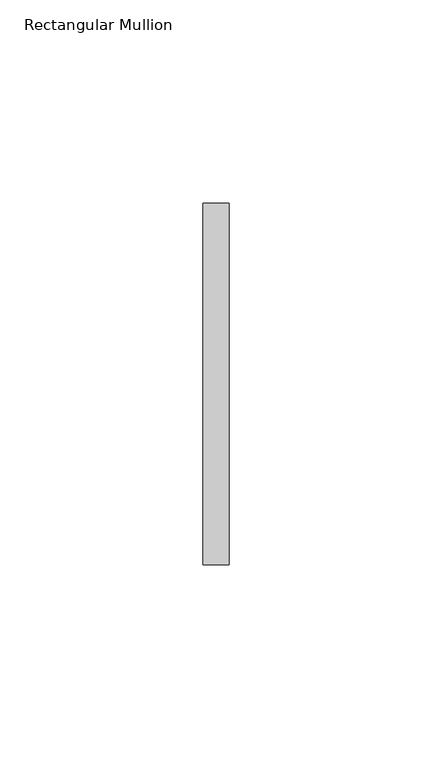
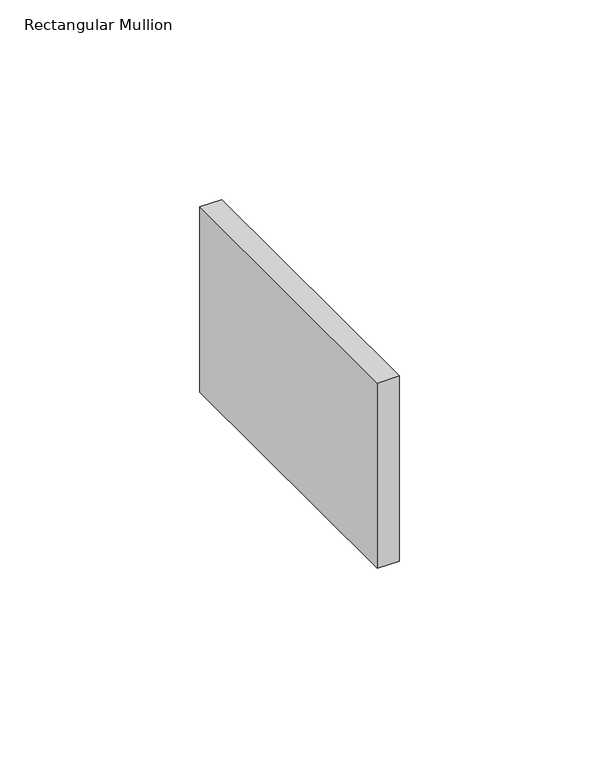
"""IFC4 building model written with IfcOpenShell, lengths in millimetres: member geometry, Rectangular Mullion."""

import ifcopenshell
import ifcopenshell.guid

model = None  # the IFC model being written
_history = None  # IfcOwnerHistory: only IFC2X3 demands one
_inside = {}  # id of a spatial element -> (the spatial element, [elements in it])
_under = {}  # id of a project, library or spatial element -> (it, [spatial elements below it])
_declared = {}  # id of a project -> (the project, [libraries it declares])
_typed = {}  # id of a type object -> (the type object, [elements of that type])
_made_of = {}  # id of a material, layer set ... -> (it, [elements and type objects made of it])


def new_model(schema):
    """Start an empty IFC model of exactly this schema.

    Asked for "IFC4X3", IfcOpenShell would pick the latest addendum, in which some entities
    have other attributes; the version numbers below select the first issue.
    IFC2X3 requires an IfcOwnerHistory on every rooted entity: one is made here for all.
    """
    global model, _history
    if schema == "IFC4X3":
        model = ifcopenshell.file(schema_version=(4, 3, 0, 0))
    else:
        model = ifcopenshell.file(schema=schema)
    _inside.clear()
    _under.clear()
    _declared.clear()
    _typed.clear()
    _made_of.clear()
    _history = None
    if model.schema == "IFC2X3":
        org = make("IfcOrganization", Name="unknown")
        user = make(
            "IfcPersonAndOrganization",
            ThePerson=make("IfcPerson", FamilyName="unknown"),
            TheOrganization=org,
        )
        app = make(
            "IfcApplication",
            ApplicationDeveloper=org,
            Version="unknown",
            ApplicationFullName="unknown",
            ApplicationIdentifier="unknown",
        )
        _history = make(
            "IfcOwnerHistory",
            OwningUser=user,
            OwningApplication=app,
            ChangeAction="ADDED",
            CreationDate=0,
        )
    return model


def make(cls, **values):
    """One entity of the class cls with the attributes given. An attribute that is None is left unset."""
    return model.create_entity(
        cls, **{name: value for name, value in values.items() if value is not None}
    )


def rooted(cls, **values):
    """An entity with a GlobalId (a new one), such as an element, a storey or a relation."""
    return make(cls, GlobalId=ifcopenshell.guid.new(), OwnerHistory=_history, **values)


def si_unit(unit_type, name, prefix=None):
    """IfcSIUnit, for example si_unit("LENGTHUNIT", "METRE", prefix="MILLI")."""
    return make("IfcSIUnit", UnitType=unit_type, Prefix=prefix, Name=name)


def assignment(units):
    """IfcUnitAssignment: the units of a project."""
    return None if units is None else make("IfcUnitAssignment", Units=units)


def point(xyz):
    """IfcCartesianPoint."""
    return None if xyz is None else make("IfcCartesianPoint", Coordinates=xyz)


def direction(xyz):
    """IfcDirection."""
    return None if xyz is None else make("IfcDirection", DirectionRatios=xyz)


def frame(location, z_axis=None, x_axis=None):
    """IfcAxis2Placement3D, a coordinate frame: its origin and axes. An axis left out is left unset."""
    return make(
        "IfcAxis2Placement3D",
        Location=point(location),
        Axis=direction(z_axis),
        RefDirection=direction(x_axis),
    )


def origin():
    """The frame at (0, 0, 0) with its axes left unset."""
    return frame((0.0, 0.0, 0.0))


def place(relative_to, where):
    """IfcLocalPlacement: puts the frame where relative to a parent placement (None: the world)."""
    return make(
        "IfcLocalPlacement", PlacementRelTo=relative_to, RelativePlacement=where
    )


def context(
    kind, dimensions, precision=None, world=None, true_north=None, identifier=None
):
    """IfcGeometricRepresentationContext, for example the 3D "Model" context."""
    return make(
        "IfcGeometricRepresentationContext",
        ContextIdentifier=identifier,
        ContextType=kind,
        CoordinateSpaceDimension=dimensions,
        Precision=precision,
        WorldCoordinateSystem=world,
        TrueNorth=true_north,
    )


def project(units=None, contexts=None):
    """IfcProject with its units and contexts."""
    return rooted(
        "IfcProject",
        Name="project",
        RepresentationContexts=contexts,
        UnitsInContext=assignment(units),
    )


def spatial(cls, under=None, at=None, **own):
    """A site, building, storey or space (cls), placed at a placement, below another one or the project."""
    s = rooted(cls, ObjectPlacement=at, **own)
    if under is not None:
        _under.setdefault(under.id(), (under, []))[1].append(s)
    return s


def polyline(points):
    """IfcPolyline through the points."""
    return make("IfcPolyline", Points=[point(p) for p in points])


def outline(outer, holes=None, kind="AREA"):
    """IfcArbitraryClosedProfileDef: a profile drawn as a closed curve; with holes, ...WithVoids."""
    if holes is None:
        return make("IfcArbitraryClosedProfileDef", ProfileType=kind, OuterCurve=outer)
    return make(
        "IfcArbitraryProfileDefWithVoids",
        ProfileType=kind,
        OuterCurve=outer,
        InnerCurves=holes,
    )


def extrude(swept, where, along, depth):
    """IfcExtrudedAreaSolid: the profile swept, set in the frame where, extruded along a direction by depth."""
    return make(
        "IfcExtrudedAreaSolid",
        SweptArea=swept,
        Position=where,
        ExtrudedDirection=direction(along),
        Depth=depth,
    )


def shape(context_of_items, identifier, shape_type, items):
    """IfcShapeRepresentation: the items that make up one representation, for example the "Body"."""
    return make(
        "IfcShapeRepresentation",
        ContextOfItems=context_of_items,
        RepresentationIdentifier=identifier,
        RepresentationType=shape_type,
        Items=items,
    )


def source(mapping_origin, context_of_items, identifier, shape_type, items):
    """IfcRepresentationMap: a shape defined once, which mapped items show again and again."""
    return make(
        "IfcRepresentationMap",
        MappingOrigin=mapping_origin,
        MappedRepresentation=shape(context_of_items, identifier, shape_type, items),
    )


def transform(
    local_origin,
    x_axis=None,
    y_axis=None,
    z_axis=None,
    scale=None,
    scale2=None,
    scale3=None,
    uniform=True,
):
    """IfcCartesianTransformationOperator3D, or its non-uniform kind. x_axis, y_axis, z_axis: its Axis1, 2, 3."""
    if uniform:
        return make(
            "IfcCartesianTransformationOperator3D",
            Axis1=direction(x_axis),
            Axis2=direction(y_axis),
            LocalOrigin=point(local_origin),
            Scale=scale,
            Axis3=direction(z_axis),
        )
    return make(
        "IfcCartesianTransformationOperator3DnonUniform",
        Axis1=direction(x_axis),
        Axis2=direction(y_axis),
        LocalOrigin=point(local_origin),
        Scale=scale,
        Axis3=direction(z_axis),
        Scale2=scale2,
        Scale3=scale3,
    )


def mapped(mapping_source, mapping_target):
    """IfcMappedItem: shows the shape of a source again, moved by a transform."""
    return make(
        "IfcMappedItem", MappingSource=mapping_source, MappingTarget=mapping_target
    )


def made_of(thing, what):
    """Note that an element or type object is made of a material, layer set ...; save() writes the relation."""
    if what is not None:
        _made_of.setdefault(what.id(), (what, []))[1].append(thing)
    return thing


def element(
    cls,
    number,
    at=None,
    inside=None,
    cuts=None,
    type_object=None,
    material=None,
    context=None,
    identifier="Body",
    shape_type=None,
    held_by="IfcProductDefinitionShape",
    body=None,
    shapes=None,
    **own,
):
    """One element of the class cls, such as IfcWall. Its Tag is "e" and its number.

    at: its placement. inside: the storey or other place that contains it. cuts: it is an
    opening in that element (IfcRelVoidsElement). A single representation is given by context,
    identifier, shape_type and body (its items); several are given by shapes. held_by: the class
    of the entity that holds the representations. save() writes the other relations.
    """
    e = rooted(cls, Tag="e%d" % number, ObjectPlacement=at, **own)
    if body is not None:
        shapes = [shape(context, identifier, shape_type, body)]
    if shapes is not None:
        e.Representation = make(held_by, Representations=shapes)
    if inside is not None:
        _inside.setdefault(inside.id(), (inside, []))[1].append(e)
    if cuts is not None:
        rooted(
            "IfcRelVoidsElement", RelatingBuildingElement=cuts, RelatedOpeningElement=e
        )
    if type_object is not None:
        _typed.setdefault(type_object.id(), (type_object, []))[1].append(e)
    return made_of(e, material)


def aggregate(whole, parts):
    """IfcRelAggregates: a whole, such as a stair, and the parts it consists of."""
    return rooted("IfcRelAggregates", RelatingObject=whole, RelatedObjects=parts)


def save(model, path):
    """Write the relations noted so far, then the file.

    IfcRelAggregates (storeys below a building ...), IfcRelContainedInSpatialStructure (elements
    in a storey), IfcRelDefinesByType, IfcRelAssociatesMaterial and IfcRelDeclares: one each for
    every whole, place, type object, material and project.
    """
    for whole, parts in _under.values():
        aggregate(whole, parts)
    for where, things in _inside.values():
        rooted(
            "IfcRelContainedInSpatialStructure",
            RelatedElements=things,
            RelatingStructure=where,
        )
    for kind, things in _typed.values():
        rooted("IfcRelDefinesByType", RelatedObjects=things, RelatingType=kind)
    for what, things in _made_of.values():
        rooted("IfcRelAssociatesMaterial", RelatedObjects=things, RelatingMaterial=what)
    for by, libraries in _declared.values():
        rooted("IfcRelDeclares", RelatingContext=by, RelatedDefinitions=libraries)
    model.write(path)


def rectangular_mullion_9adf2e71(model_context):
    return source(origin(), model_context, "Body", "SweptSolid", [
        extrude(outline(polyline([(0.0, 44.45), (0.0, -44.45), (-6.35, -44.45), (-6.35, 44.45), (0.0, 44.45)])), frame((0.0, 0.0, -56.6054687), z_axis=(0.0, 0.0, 1.0), x_axis=(1.0, 0.0, 0.0)), (0.0, 0.0, 1.0), 56.6054687),
    ])


if __name__ == "__main__":
    model = new_model("IFC4")
    model_context = context("Model", 3, world=origin())
    ifc_project = project(units=[si_unit("LENGTHUNIT", "METRE", prefix="MILLI")], contexts=[model_context])
    site = spatial("IfcSite", under=ifc_project)
    building = spatial("IfcBuilding", under=site)
    placement = place(None, origin())
    rectangular_mullion_shape = rectangular_mullion_9adf2e71(model_context)
    element("IfcMember", 1, ObjectType="Rectangular Mullion", at=placement, inside=building, context=model_context, shape_type="MappedRepresentation", body=[
        mapped(rectangular_mullion_shape, transform((0.0, 0.0, 0.0), x_axis=(1.0, 0.0, 0.0), y_axis=(0.0, 1.0, 0.0), z_axis=(0.0, 0.0, 1.0))),
    ])
    save(model, "model.ifc")
